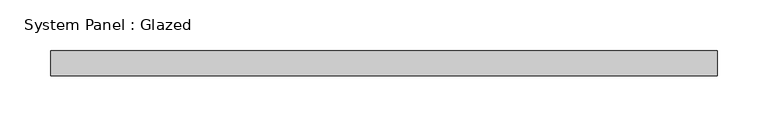
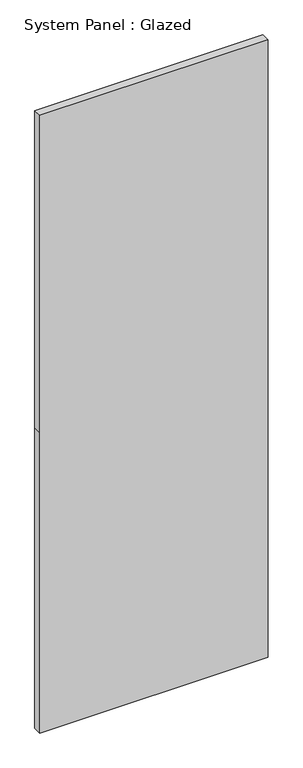
"""IFC4 building model written with IfcOpenShell, lengths in millimetres: plate geometry, System Panel : Glazed."""

from ifc_helpers import new_model, si_unit, frame, origin, place, context, project, spatial, polyline, outline, extrude, source, transform, mapped, element, save


def system_panel_glazed_98ddf5df(model_context):
    return source(origin(), model_context, "Body", "SweptSolid", [
        extrude(outline(polyline([(0.0, -329.5), (0.0, 329.5), (916.6666667, 329.5), (1885.0, 329.5), (1885.0, -329.5), (916.6666667, -329.5), (0.0, -329.5)])), frame((0.0, -49.5, 0.0), z_axis=(0.0, 1.0, 0.0), x_axis=(0.0, 0.0, 1.0)), (0.0, 0.0, 1.0), 25.0),
    ])


if __name__ == "__main__":
    model = new_model("IFC4")
    model_context = context("Model", 3, world=origin())
    ifc_project = project(units=[si_unit("LENGTHUNIT", "METRE", prefix="MILLI")], contexts=[model_context])
    site = spatial("IfcSite", under=ifc_project)
    building = spatial("IfcBuilding", under=site)
    placement = place(None, origin())
    system_panel_glazed_shape = system_panel_glazed_98ddf5df(model_context)
    element("IfcPlate", 1, ObjectType="System Panel : Glazed", at=placement, inside=building, context=model_context, shape_type="MappedRepresentation", body=[
        mapped(system_panel_glazed_shape, transform((0.0, 0.0, 0.0), x_axis=(1.0, 0.0, 0.0), y_axis=(0.0, 1.0, 0.0), z_axis=(0.0, 0.0, 1.0))),
    ])
    save(model, "model.ifc")
